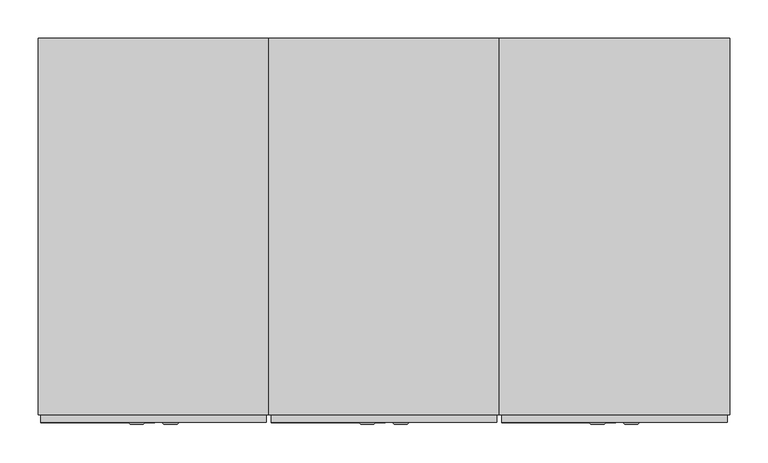
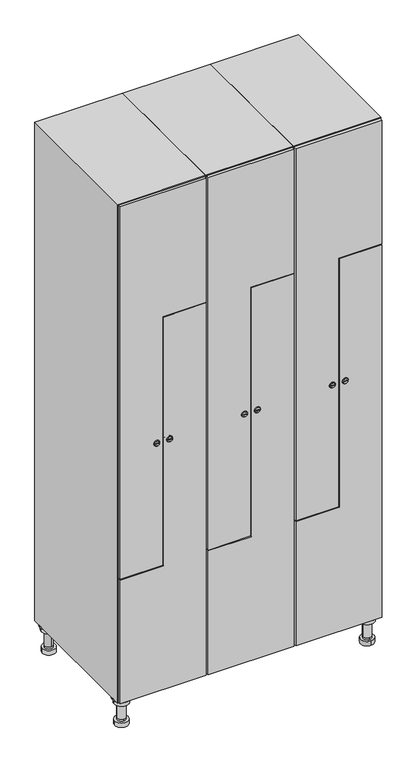
"""IFC4 building model written with IfcOpenShell, lengths in millimetres: furniture geometry."""

from ifc_helpers import new_model, si_unit, point, frame, frame_2d, origin, place, context, project, spatial, polyline, circle_curve, trimmed, segment, composite_curve, outline, extrude, faceted_brep, source, transform, mapped, element, save
from ifc_brep_helpers import plane_surface, cylinder_surface, revolved_surface, advanced_brep


def furniture_f455822a(model_context):
    return source(origin(), model_context, "Body", "SolidModel", [
        advanced_brep(
        [(670.0, -201.0, 22.0), (670.0, -201.5, 16.0), (670.0, -228.5, 16.0), (670.0, -229.0, 22.0), (656.0, -215.0, 22.0), (684.0, -215.0, 22.0), (670.0, -192.5, 16.0), (670.0, -237.5, 16.0), (670.0, -192.5, 0.0), (670.0, -237.5, 0.0), (684.0, -215.0, 78.0), (656.0, -215.0, 78.0), (695.0, -215.0, 78.0), (645.0, -215.0, 78.0), (700.0, -215.0, 94.0), (640.0, -215.0, 94.0), (645.0, -215.0, 94.0), (695.0, -215.0, 94.0), (700.0, -215.0, 100.0), (640.0, -215.0, 100.0)],
        [
            (0, 1),
            (1, 2, circle_curve(frame((670.0, -215.0, 16.0), z_axis=(0.0, 0.0, 1.0), x_axis=(0.0, -1.0, 0.0)), 13.5)),
            (2, 3),
            (3, 4, circle_curve(frame((670.0, -215.0, 22.0), z_axis=(0.0, 0.0, -1.0), x_axis=(0.0, -1.0, 0.0)), 14.0)),
            (4, 0, circle_curve(frame((670.0, -215.0, 22.0), z_axis=(0.0, 0.0, -1.0), x_axis=(0.0, -1.0, 0.0)), 14.0)),
            (0, 5, circle_curve(frame((670.0, -215.0, 22.0), z_axis=(0.0, 0.0, -1.0), x_axis=(0.0, 1.0, 0.0)), 14.0)),
            (5, 3, circle_curve(frame((670.0, -215.0, 22.0), z_axis=(0.0, 0.0, -1.0), x_axis=(0.0, 1.0, 0.0)), 14.0)),
            (2, 1, circle_curve(frame((670.0, -215.0, 16.0), z_axis=(0.0, 0.0, 1.0), x_axis=(0.0, 1.0, 0.0)), 13.5)),
            (6, 7, circle_curve(frame((670.0, -215.0, 16.0), z_axis=(0.0, 0.0, 1.0), x_axis=(0.0, -1.0, 0.0)), 22.5)),
            (7, 6, circle_curve(frame((670.0, -215.0, 16.0), z_axis=(0.0, 0.0, 1.0), x_axis=(0.0, -1.0, 0.0)), 22.5)),
            (8, 9, circle_curve(frame((670.0, -215.0, 0.0), z_axis=(0.0, 0.0, -1.0), x_axis=(0.0, -1.0, 0.0)), 22.5)),
            (9, 8, circle_curve(frame((670.0, -215.0, 0.0), z_axis=(0.0, 0.0, -1.0), x_axis=(0.0, -1.0, 0.0)), 22.5)),
            (6, 8),
            (9, 7),
            (5, 10),
            (10, 11, circle_curve(frame((670.0, -215.0, 78.0), z_axis=(0.0, 0.0, -1.0), x_axis=(-1.0, 0.0, 0.0)), 14.0)),
            (11, 4),
            (11, 10, circle_curve(frame((670.0, -215.0, 78.0), z_axis=(0.0, 0.0, -1.0), x_axis=(-1.0, 0.0, 0.0)), 14.0)),
            (12, 13, circle_curve(frame((670.0, -215.0, 78.0), z_axis=(0.0, 0.0, -1.0), x_axis=(-1.0, 0.0, 0.0)), 25.0)),
            (13, 12, circle_curve(frame((670.0, -215.0, 78.0), z_axis=(0.0, 0.0, -1.0), x_axis=(-1.0, 0.0, 0.0)), 25.0)),
            (14, 15, circle_curve(frame((670.0, -215.0, 94.0), z_axis=(0.0, 0.0, -1.0), x_axis=(-1.0, 0.0, 0.0)), 30.0)),
            (15, 14, circle_curve(frame((670.0, -215.0, 94.0), z_axis=(0.0, 0.0, -1.0), x_axis=(-1.0, 0.0, 0.0)), 30.0)),
            (16, 17, circle_curve(frame((670.0, -215.0, 94.0), z_axis=(0.0, 0.0, 1.0), x_axis=(-1.0, 0.0, 0.0)), 25.0)),
            (17, 16, circle_curve(frame((670.0, -215.0, 94.0), z_axis=(0.0, 0.0, 1.0), x_axis=(-1.0, 0.0, 0.0)), 25.0)),
            (18, 19, circle_curve(frame((670.0, -215.0, 100.0), z_axis=(0.0, 0.0, 1.0), x_axis=(-1.0, 0.0, 0.0)), 30.0)),
            (19, 18, circle_curve(frame((670.0, -215.0, 100.0), z_axis=(0.0, 0.0, 1.0), x_axis=(-1.0, 0.0, 0.0)), 30.0)),
            (14, 18),
            (19, 15),
            (12, 17),
            (16, 13),
        ],
        [
            revolved_surface(polyline([(670.0, -201.5, 16.0), (670.0, -201.0, 22.0)]), (670.0, -215.0, -146.0), (0.0, 0.0, 1.0)),
            plane_surface(frame((670.0, 0.0, 16.0), z_axis=(0.0, 0.0, 1.0), x_axis=(0.0, -1.0, 0.0))),
            plane_surface(frame((670.0, 0.0, 0.0), z_axis=(0.0, 0.0, -1.0), x_axis=(0.0, -1.0, 0.0))),
            cylinder_surface(frame((670.0, -215.0, 16.0), z_axis=(0.0, 0.0, 1.0), x_axis=(0.0, -1.0, 0.0)), 22.5),
            cylinder_surface(frame((670.0, -215.0, 22.0), z_axis=(0.0, 0.0, -1.0), x_axis=(-1.0, 0.0, 0.0)), 14.0),
            plane_surface(frame((670.0, 0.0, 78.0), z_axis=(0.0, 0.0, -1.0), x_axis=(0.0, -1.0, 0.0))),
            plane_surface(frame((670.0, 0.0, 94.0), z_axis=(0.0, 0.0, -1.0), x_axis=(0.0, -1.0, 0.0))),
            plane_surface(frame((670.0, 0.0, 100.0), z_axis=(0.0, 0.0, 1.0), x_axis=(0.0, -1.0, 0.0))),
            cylinder_surface(frame((670.0, -215.0, 94.0), z_axis=(0.0, 0.0, -1.0), x_axis=(-1.0, 0.0, 0.0)), 30.0),
            cylinder_surface(frame((670.0, -215.0, 78.0), z_axis=(0.0, 0.0, -1.0), x_axis=(-1.0, 0.0, 0.0)), 25.0),
        ],
        [
            (0, [[1, 2, 3, 4, 5]]),
            (0, [[-1, 6, 7, -3, 8]]),
            (1, [[9, 10], [-2, -8]]),
            (2, [[11, 12]]),
            (3, [[-9, 13, -12, 14]]),
            (3, [[-10, -14, -11, -13]]),
            (4, [[15, 16, 17, -4, -7]]),
            (4, [[-15, -6, -5, -17, 18]]),
            (5, [[19, 20], [-16, -18]]),
            (6, [[21, 22], [23, 24]]),
            (7, [[25, 26]]),
            (8, [[-21, 27, -26, 28]]),
            (8, [[-22, -28, -25, -27]]),
            (9, [[-19, 29, -23, 30]]),
            (9, [[-20, -30, -24, -29]]),
        ],
    ),
        advanced_brep(
        [(-170.0, -201.0, 22.0), (-170.0, -201.5, 16.0), (-170.0, -228.5, 16.0), (-170.0, -229.0, 22.0), (-184.0, -215.0, 22.0), (-156.0, -215.0, 22.0), (-147.5, -215.0, 0.0), (-192.5, -215.0, 0.0), (-147.5, -215.0, 16.0), (-192.5, -215.0, 16.0), (-156.0, -215.0, 78.0), (-184.0, -215.0, 78.0), (-145.0, -215.0, 78.0), (-195.0, -215.0, 78.0), (-140.0, -215.0, 94.0), (-200.0, -215.0, 94.0), (-195.0, -215.0, 94.0), (-145.0, -215.0, 94.0), (-140.0, -215.0, 100.0), (-200.0, -215.0, 100.0)],
        [
            (0, 1),
            (1, 2, circle_curve(frame((-170.0, -215.0, 16.0), z_axis=(0.0, 0.0, 1.0), x_axis=(0.0, -1.0, 0.0)), 13.5)),
            (2, 3),
            (3, 4, circle_curve(frame((-170.0, -215.0, 22.0), z_axis=(0.0, 0.0, -1.0), x_axis=(0.0, -1.0, 0.0)), 14.0)),
            (4, 0, circle_curve(frame((-170.0, -215.0, 22.0), z_axis=(0.0, 0.0, -1.0), x_axis=(0.0, -1.0, 0.0)), 14.0)),
            (0, 5, circle_curve(frame((-170.0, -215.0, 22.0), z_axis=(0.0, 0.0, -1.0), x_axis=(0.0, 1.0, 0.0)), 14.0)),
            (5, 3, circle_curve(frame((-170.0, -215.0, 22.0), z_axis=(0.0, 0.0, -1.0), x_axis=(0.0, 1.0, 0.0)), 14.0)),
            (2, 1, circle_curve(frame((-170.0, -215.0, 16.0), z_axis=(0.0, 0.0, 1.0), x_axis=(0.0, 1.0, 0.0)), 13.5)),
            (6, 7, circle_curve(frame((-170.0, -215.0, 0.0), z_axis=(0.0, 0.0, -1.0), x_axis=(-1.0, 0.0, 0.0)), 22.5)),
            (7, 6, circle_curve(frame((-170.0, -215.0, 0.0), z_axis=(0.0, 0.0, -1.0), x_axis=(-1.0, 0.0, 0.0)), 22.5)),
            (8, 9, circle_curve(frame((-170.0, -215.0, 16.0), z_axis=(0.0, 0.0, 1.0), x_axis=(-1.0, 0.0, 0.0)), 22.5)),
            (9, 8, circle_curve(frame((-170.0, -215.0, 16.0), z_axis=(0.0, 0.0, 1.0), x_axis=(-1.0, 0.0, 0.0)), 22.5)),
            (6, 8),
            (9, 7),
            (5, 10),
            (10, 11, circle_curve(frame((-170.0, -215.0, 78.0), z_axis=(0.0, 0.0, -1.0), x_axis=(-1.0, 0.0, 0.0)), 14.0)),
            (11, 4),
            (11, 10, circle_curve(frame((-170.0, -215.0, 78.0), z_axis=(0.0, 0.0, -1.0), x_axis=(-1.0, 0.0, 0.0)), 14.0)),
            (12, 13, circle_curve(frame((-170.0, -215.0, 78.0), z_axis=(0.0, 0.0, -1.0), x_axis=(-1.0, 0.0, 0.0)), 25.0)),
            (13, 12, circle_curve(frame((-170.0, -215.0, 78.0), z_axis=(0.0, 0.0, -1.0), x_axis=(-1.0, 0.0, 0.0)), 25.0)),
            (14, 15, circle_curve(frame((-170.0, -215.0, 94.0), z_axis=(0.0, 0.0, -1.0), x_axis=(-1.0, 0.0, 0.0)), 30.0)),
            (15, 14, circle_curve(frame((-170.0, -215.0, 94.0), z_axis=(0.0, 0.0, -1.0), x_axis=(-1.0, 0.0, 0.0)), 30.0)),
            (16, 17, circle_curve(frame((-170.0, -215.0, 94.0), z_axis=(0.0, 0.0, 1.0), x_axis=(-1.0, 0.0, 0.0)), 25.0)),
            (17, 16, circle_curve(frame((-170.0, -215.0, 94.0), z_axis=(0.0, 0.0, 1.0), x_axis=(-1.0, 0.0, 0.0)), 25.0)),
            (18, 19, circle_curve(frame((-170.0, -215.0, 100.0), z_axis=(0.0, 0.0, 1.0), x_axis=(-1.0, 0.0, 0.0)), 30.0)),
            (19, 18, circle_curve(frame((-170.0, -215.0, 100.0), z_axis=(0.0, 0.0, 1.0), x_axis=(-1.0, 0.0, 0.0)), 30.0)),
            (14, 18),
            (19, 15),
            (12, 17),
            (16, 13),
        ],
        [
            revolved_surface(polyline([(-170.0, -201.5, 16.0), (-170.0, -201.0, 22.0)]), (-170.0, -215.0, -146.0), (0.0, 0.0, 1.0)),
            plane_surface(frame((-170.0, 0.0, 0.0), z_axis=(0.0, 0.0, -1.0), x_axis=(0.0, -1.0, 0.0))),
            plane_surface(frame((-170.0, 0.0, 16.0), z_axis=(0.0, 0.0, 1.0), x_axis=(0.0, -1.0, 0.0))),
            cylinder_surface(frame((-170.0, -215.0, 0.0), z_axis=(0.0, 0.0, -1.0), x_axis=(-1.0, 0.0, 0.0)), 22.5),
            cylinder_surface(frame((-170.0, -215.0, 22.0), z_axis=(0.0, 0.0, -1.0), x_axis=(-1.0, 0.0, 0.0)), 14.0),
            plane_surface(frame((-170.0, 0.0, 78.0), z_axis=(0.0, 0.0, -1.0), x_axis=(0.0, -1.0, 0.0))),
            plane_surface(frame((-170.0, 0.0, 94.0), z_axis=(0.0, 0.0, -1.0), x_axis=(0.0, -1.0, 0.0))),
            plane_surface(frame((-170.0, 0.0, 100.0), z_axis=(0.0, 0.0, 1.0), x_axis=(0.0, -1.0, 0.0))),
            cylinder_surface(frame((-170.0, -215.0, 94.0), z_axis=(0.0, 0.0, -1.0), x_axis=(-1.0, 0.0, 0.0)), 30.0),
            cylinder_surface(frame((-170.0, -215.0, 78.0), z_axis=(0.0, 0.0, -1.0), x_axis=(-1.0, 0.0, 0.0)), 25.0),
        ],
        [
            (0, [[1, 2, 3, 4, 5]]),
            (0, [[-1, 6, 7, -3, 8]]),
            (1, [[9, 10]]),
            (2, [[11, 12], [-2, -8]]),
            (3, [[-9, 13, -12, 14]]),
            (3, [[-10, -14, -11, -13]]),
            (4, [[15, 16, 17, -4, -7]]),
            (4, [[-15, -6, -5, -17, 18]]),
            (5, [[19, 20], [-16, -18]]),
            (6, [[21, 22], [23, 24]]),
            (7, [[25, 26]]),
            (8, [[-21, 27, -26, 28]]),
            (8, [[-22, -28, -25, -27]]),
            (9, [[-19, 29, -23, 30]]),
            (9, [[-20, -30, -24, -29]]),
        ],
    ),
        advanced_brep(
        [(683.5, 215.0, 16.0), (684.0, 215.0, 22.0), (656.0, 215.0, 22.0), (656.5, 215.0, 16.0), (692.5, 215.0, 0.0), (647.5, 215.0, 0.0), (692.5, 215.0, 16.0), (647.5, 215.0, 16.0), (684.0, 215.0, 78.0), (656.0, 215.0, 78.0), (695.0, 215.0, 78.0), (645.0, 215.0, 78.0), (700.0, 215.0, 94.0), (640.0, 215.0, 94.0), (645.0, 215.0, 94.0), (695.0, 215.0, 94.0), (700.0, 215.0, 100.0), (640.0, 215.0, 100.0)],
        [
            (0, 1),
            (1, 2, circle_curve(frame((670.0, 215.0, 22.0), z_axis=(0.0, 0.0, -1.0), x_axis=(-1.0, 0.0, 0.0)), 14.0)),
            (2, 3),
            (3, 0, circle_curve(frame((670.0, 215.0, 16.0), z_axis=(0.0, 0.0, 1.0), x_axis=(-1.0, 0.0, 0.0)), 13.5)),
            (0, 3, circle_curve(frame((670.0, 215.0, 16.0), z_axis=(0.0, 0.0, 1.0), x_axis=(1.0, 0.0, 0.0)), 13.5)),
            (2, 1, circle_curve(frame((670.0, 215.0, 22.0), z_axis=(0.0, 0.0, -1.0), x_axis=(1.0, 0.0, 0.0)), 14.0)),
            (4, 5, circle_curve(frame((670.0, 215.0, 0.0), z_axis=(0.0, 0.0, -1.0), x_axis=(-1.0, 0.0, 0.0)), 22.5)),
            (5, 4, circle_curve(frame((670.0, 215.0, 0.0), z_axis=(0.0, 0.0, -1.0), x_axis=(-1.0, 0.0, 0.0)), 22.5)),
            (6, 7, circle_curve(frame((670.0, 215.0, 16.0), z_axis=(0.0, 0.0, 1.0), x_axis=(-1.0, 0.0, 0.0)), 22.5)),
            (7, 6, circle_curve(frame((670.0, 215.0, 16.0), z_axis=(0.0, 0.0, 1.0), x_axis=(-1.0, 0.0, 0.0)), 22.5)),
            (4, 6),
            (7, 5),
            (1, 8),
            (8, 9, circle_curve(frame((670.0, 215.0, 78.0), z_axis=(0.0, 0.0, -1.0), x_axis=(-1.0, 0.0, 0.0)), 14.0)),
            (9, 2),
            (9, 8, circle_curve(frame((670.0, 215.0, 78.0), z_axis=(0.0, 0.0, -1.0), x_axis=(-1.0, 0.0, 0.0)), 14.0)),
            (10, 11, circle_curve(frame((670.0, 215.0, 78.0), z_axis=(0.0, 0.0, -1.0), x_axis=(-1.0, 0.0, 0.0)), 25.0)),
            (11, 10, circle_curve(frame((670.0, 215.0, 78.0), z_axis=(0.0, 0.0, -1.0), x_axis=(-1.0, 0.0, 0.0)), 25.0)),
            (12, 13, circle_curve(frame((670.0, 215.0, 94.0), z_axis=(0.0, 0.0, -1.0), x_axis=(-1.0, 0.0, 0.0)), 30.0)),
            (13, 12, circle_curve(frame((670.0, 215.0, 94.0), z_axis=(0.0, 0.0, -1.0), x_axis=(-1.0, 0.0, 0.0)), 30.0)),
            (14, 15, circle_curve(frame((670.0, 215.0, 94.0), z_axis=(0.0, 0.0, 1.0), x_axis=(-1.0, 0.0, 0.0)), 25.0)),
            (15, 14, circle_curve(frame((670.0, 215.0, 94.0), z_axis=(0.0, 0.0, 1.0), x_axis=(-1.0, 0.0, 0.0)), 25.0)),
            (16, 17, circle_curve(frame((670.0, 215.0, 100.0), z_axis=(0.0, 0.0, 1.0), x_axis=(-1.0, 0.0, 0.0)), 30.0)),
            (17, 16, circle_curve(frame((670.0, 215.0, 100.0), z_axis=(0.0, 0.0, 1.0), x_axis=(-1.0, 0.0, 0.0)), 30.0)),
            (12, 16),
            (17, 13),
            (10, 15),
            (14, 11),
        ],
        [
            revolved_surface(polyline([(683.5, 215.0, 16.0), (684.0, 215.0, 22.0)]), (670.0, 215.0, -146.0), (0.0, 0.0, 1.0)),
            plane_surface(frame((670.0, 0.0, 0.0), z_axis=(0.0, 0.0, -1.0), x_axis=(0.0, -1.0, 0.0))),
            plane_surface(frame((670.0, 0.0, 16.0), z_axis=(0.0, 0.0, 1.0), x_axis=(0.0, -1.0, 0.0))),
            cylinder_surface(frame((670.0, 215.0, 0.0), z_axis=(0.0, 0.0, -1.0), x_axis=(-1.0, 0.0, 0.0)), 22.5),
            cylinder_surface(frame((670.0, 215.0, 22.0), z_axis=(0.0, 0.0, -1.0), x_axis=(-1.0, 0.0, 0.0)), 14.0),
            plane_surface(frame((670.0, 0.0, 78.0), z_axis=(0.0, 0.0, -1.0), x_axis=(0.0, -1.0, 0.0))),
            plane_surface(frame((670.0, 0.0, 94.0), z_axis=(0.0, 0.0, -1.0), x_axis=(0.0, -1.0, 0.0))),
            plane_surface(frame((670.0, 0.0, 100.0), z_axis=(0.0, 0.0, 1.0), x_axis=(0.0, -1.0, 0.0))),
            cylinder_surface(frame((670.0, 215.0, 94.0), z_axis=(0.0, 0.0, -1.0), x_axis=(-1.0, 0.0, 0.0)), 30.0),
            cylinder_surface(frame((670.0, 215.0, 78.0), z_axis=(0.0, 0.0, -1.0), x_axis=(-1.0, 0.0, 0.0)), 25.0),
        ],
        [
            (0, [[1, 2, 3, 4]]),
            (0, [[-1, 5, -3, 6]]),
            (1, [[7, 8]]),
            (2, [[9, 10], [-4, -5]]),
            (3, [[-7, 11, -10, 12]]),
            (3, [[-8, -12, -9, -11]]),
            (4, [[13, 14, 15, -2]]),
            (4, [[-13, -6, -15, 16]]),
            (5, [[17, 18], [-14, -16]]),
            (6, [[19, 20], [21, 22]]),
            (7, [[23, 24]]),
            (8, [[-19, 25, -24, 26]]),
            (8, [[-20, -26, -23, -25]]),
            (9, [[-17, 27, -21, 28]]),
            (9, [[-18, -28, -22, -27]]),
        ],
    ),
        advanced_brep(
        [(-156.5, 215.0, 16.0), (-156.0, 215.0, 22.0), (-170.0, 201.0, 22.0), (-184.0, 215.0, 22.0), (-183.5, 215.0, 16.0), (-170.0, 229.0, 22.0), (-147.5, 215.0, 0.0), (-192.5, 215.0, 0.0), (-147.5, 215.0, 16.0), (-192.5, 215.0, 16.0), (-170.0, 229.0, 78.0), (-170.0, 201.0, 78.0), (-145.0, 215.0, 78.0), (-195.0, 215.0, 78.0), (-140.0, 215.0, 94.0), (-200.0, 215.0, 94.0), (-195.0, 215.0, 94.0), (-145.0, 215.0, 94.0), (-140.0, 215.0, 100.0), (-200.0, 215.0, 100.0)],
        [
            (0, 1),
            (1, 2, circle_curve(frame((-170.0, 215.0, 22.0), z_axis=(0.0, 0.0, -1.0), x_axis=(-1.0, 0.0, 0.0)), 14.0)),
            (2, 3, circle_curve(frame((-170.0, 215.0, 22.0), z_axis=(0.0, 0.0, -1.0), x_axis=(-1.0, 0.0, 0.0)), 14.0)),
            (3, 4),
            (4, 0, circle_curve(frame((-170.0, 215.0, 16.0), z_axis=(0.0, 0.0, 1.0), x_axis=(-1.0, 0.0, 0.0)), 13.5)),
            (0, 4, circle_curve(frame((-170.0, 215.0, 16.0), z_axis=(0.0, 0.0, 1.0), x_axis=(1.0, 0.0, 0.0)), 13.5)),
            (3, 5, circle_curve(frame((-170.0, 215.0, 22.0), z_axis=(0.0, 0.0, -1.0), x_axis=(1.0, 0.0, 0.0)), 14.0)),
            (5, 1, circle_curve(frame((-170.0, 215.0, 22.0), z_axis=(0.0, 0.0, -1.0), x_axis=(1.0, 0.0, 0.0)), 14.0)),
            (6, 7, circle_curve(frame((-170.0, 215.0, 0.0), z_axis=(0.0, 0.0, -1.0), x_axis=(-1.0, 0.0, 0.0)), 22.5)),
            (7, 6, circle_curve(frame((-170.0, 215.0, 0.0), z_axis=(0.0, 0.0, -1.0), x_axis=(-1.0, 0.0, 0.0)), 22.5)),
            (8, 9, circle_curve(frame((-170.0, 215.0, 16.0), z_axis=(0.0, 0.0, 1.0), x_axis=(-1.0, 0.0, 0.0)), 22.5)),
            (9, 8, circle_curve(frame((-170.0, 215.0, 16.0), z_axis=(0.0, 0.0, 1.0), x_axis=(-1.0, 0.0, 0.0)), 22.5)),
            (6, 8),
            (9, 7),
            (10, 5),
            (2, 11),
            (11, 10, circle_curve(frame((-170.0, 215.0, 78.0), z_axis=(0.0, 0.0, -1.0), x_axis=(0.0, -1.0, 0.0)), 14.0)),
            (10, 11, circle_curve(frame((-170.0, 215.0, 78.0), z_axis=(0.0, 0.0, -1.0), x_axis=(0.0, -1.0, 0.0)), 14.0)),
            (12, 13, circle_curve(frame((-170.0, 215.0, 78.0), z_axis=(0.0, 0.0, -1.0), x_axis=(-1.0, 0.0, 0.0)), 25.0)),
            (13, 12, circle_curve(frame((-170.0, 215.0, 78.0), z_axis=(0.0, 0.0, -1.0), x_axis=(-1.0, 0.0, 0.0)), 25.0)),
            (14, 15, circle_curve(frame((-170.0, 215.0, 94.0), z_axis=(0.0, 0.0, -1.0), x_axis=(-1.0, 0.0, 0.0)), 30.0)),
            (15, 14, circle_curve(frame((-170.0, 215.0, 94.0), z_axis=(0.0, 0.0, -1.0), x_axis=(-1.0, 0.0, 0.0)), 30.0)),
            (16, 17, circle_curve(frame((-170.0, 215.0, 94.0), z_axis=(0.0, 0.0, 1.0), x_axis=(-1.0, 0.0, 0.0)), 25.0)),
            (17, 16, circle_curve(frame((-170.0, 215.0, 94.0), z_axis=(0.0, 0.0, 1.0), x_axis=(-1.0, 0.0, 0.0)), 25.0)),
            (18, 19, circle_curve(frame((-170.0, 215.0, 100.0), z_axis=(0.0, 0.0, 1.0), x_axis=(-1.0, 0.0, 0.0)), 30.0)),
            (19, 18, circle_curve(frame((-170.0, 215.0, 100.0), z_axis=(0.0, 0.0, 1.0), x_axis=(-1.0, 0.0, 0.0)), 30.0)),
            (14, 18),
            (19, 15),
            (12, 17),
            (16, 13),
        ],
        [
            revolved_surface(polyline([(-156.5, 215.0, 16.0), (-156.0, 215.0, 22.0)]), (-170.0, 215.0, -146.0), (0.0, 0.0, 1.0)),
            plane_surface(frame((-170.0, 0.0, 0.0), z_axis=(0.0, 0.0, -1.0), x_axis=(0.0, -1.0, 0.0))),
            plane_surface(frame((-170.0, 0.0, 16.0), z_axis=(0.0, 0.0, 1.0), x_axis=(0.0, -1.0, 0.0))),
            cylinder_surface(frame((-170.0, 215.0, 0.0), z_axis=(0.0, 0.0, -1.0), x_axis=(-1.0, 0.0, 0.0)), 22.5),
            cylinder_surface(frame((-170.0, 215.0, 78.0), z_axis=(0.0, 0.0, 1.0), x_axis=(0.0, -1.0, 0.0)), 14.0),
            plane_surface(frame((-170.0, 0.0, 78.0), z_axis=(0.0, 0.0, -1.0), x_axis=(0.0, -1.0, 0.0))),
            plane_surface(frame((-170.0, 0.0, 94.0), z_axis=(0.0, 0.0, -1.0), x_axis=(0.0, -1.0, 0.0))),
            plane_surface(frame((-170.0, 0.0, 100.0), z_axis=(0.0, 0.0, 1.0), x_axis=(0.0, -1.0, 0.0))),
            cylinder_surface(frame((-170.0, 215.0, 94.0), z_axis=(0.0, 0.0, -1.0), x_axis=(-1.0, 0.0, 0.0)), 30.0),
            cylinder_surface(frame((-170.0, 215.0, 78.0), z_axis=(0.0, 0.0, -1.0), x_axis=(-1.0, 0.0, 0.0)), 25.0),
        ],
        [
            (0, [[1, 2, 3, 4, 5]]),
            (0, [[-1, 6, -4, 7, 8]]),
            (1, [[9, 10]]),
            (2, [[11, 12], [-5, -6]]),
            (3, [[-9, 13, -12, 14]]),
            (3, [[-10, -14, -11, -13]]),
            (4, [[15, -7, -3, 16, 17]]),
            (4, [[-15, 18, -16, -2, -8]]),
            (5, [[19, 20], [-17, -18]]),
            (6, [[21, 22], [23, 24]]),
            (7, [[25, 26]]),
            (8, [[-21, 27, -26, 28]]),
            (8, [[-22, -28, -25, -27]]),
            (9, [[-19, 29, -23, 30]]),
            (9, [[-20, -30, -24, -29]]),
        ],
    ),
        extrude(outline(composite_curve([segment(trimmed(circle_curve(frame_2d((1000.0, 554.7989466)), 7.0), [point((993.0, 554.7989466))], [point((1007.0, 554.7989466))], False, "CARTESIAN"), True, "CONTINUOUS"), segment(polyline([(1007.0, 554.7989466), (1007.0, 526.7989466)]), True, "CONTINUOUS"), segment(trimmed(circle_curve(frame_2d((1000.0, 526.7989466)), 7.0), [point((1007.0, 526.7989466))], [point((993.0, 526.7989466))], False, "CARTESIAN"), True, "CONTINUOUS"), segment(polyline([(993.0, 526.7989466), (993.0, 554.7989466)]), True, "CONTINUOUS")], self_intersect=False)), frame((0.0, -245.0, 0.0), z_axis=(0.0, 1.0, 0.0), x_axis=(0.0, 0.0, 1.0)), (0.0, 0.0, 1.0), 2.0),
        advanced_brep(
        [(519.5, -257.2, 1000.0), (536.5, -257.2, 1000.0), (533.0, -257.2, 1001.25), (533.0, -257.2, 998.75), (523.0, -257.2, 998.75), (523.0, -257.2, 1001.25), (517.5, -255.0, 1000.0), (538.5, -255.0, 1000.0), (533.0, -255.0, 998.75), (533.0, -255.0, 1001.25), (523.0, -255.0, 1001.25), (523.0, -255.0, 998.75)],
        [
            (0, 1, circle_curve(frame((528.0, -257.2, 1000.0), z_axis=(0.0, -1.0, 0.0), x_axis=(-1.0, 0.0, 0.0)), 8.5)),
            (1, 0, circle_curve(frame((528.0, -257.2, 1000.0), z_axis=(0.0, -1.0, 0.0), x_axis=(1.0, 0.0, 0.0)), 8.5)),
            (2, 3),
            (3, 4),
            (4, 5),
            (5, 2),
            (6, 7, circle_curve(frame((528.0, -255.0, 1000.0), z_axis=(0.0, 1.0, 0.0), x_axis=(1.0, 0.0, 0.0)), 10.5)),
            (7, 6, circle_curve(frame((528.0, -255.0, 1000.0), z_axis=(0.0, 1.0, 0.0), x_axis=(-1.0, 0.0, 0.0)), 10.5)),
            (8, 9),
            (9, 10),
            (10, 11),
            (11, 8),
            (0, 6),
            (7, 1),
            (8, 3),
            (2, 9),
            (11, 4),
            (10, 5),
        ],
        [
            plane_surface(frame((528.0, -257.2, 1000.0), z_axis=(0.0, -1.0, 0.0), x_axis=(0.0, 0.0, -1.0))),
            plane_surface(frame((528.0, -255.0, 1000.0), z_axis=(0.0, 1.0, 0.0), x_axis=(0.0, 0.0, -1.0))),
            revolved_surface(polyline([(519.5, -257.2, 1000.0), (517.5, -255.0, 1000.0)]), (528.0, -266.55, 1000.0), (0.0, 1.0, 0.0)),
            revolved_surface(polyline([(536.5, -257.2, 1000.0), (538.5, -255.0, 1000.0)]), (528.0, -266.55, 1000.0), (0.0, 1.0, 0.0)),
            plane_surface(frame((533.0, -255.0, 1001.25), z_axis=(-1.0, 0.0, 0.0), x_axis=(0.0, -1.0, 0.0))),
            plane_surface(frame((533.0, -255.0, 998.75), z_axis=(0.0, 0.0, 1.0), x_axis=(0.0, -1.0, 0.0))),
            plane_surface(frame((523.0, -255.0, 998.75), z_axis=(1.0, 0.0, 0.0), x_axis=(0.0, -1.0, 0.0))),
            plane_surface(frame((523.0, -255.0, 1001.25), z_axis=(0.0, 0.0, -1.0), x_axis=(0.0, -1.0, 0.0))),
        ],
        [
            (0, [[1, 2], [3, 4, 5, 6]]),
            (1, [[7, 8], [9, 10, 11, 12]]),
            (2, [[-1, 13, -8, 14]]),
            (3, [[-2, -14, -7, -13]]),
            (4, [[15, -3, 16, -9]]),
            (5, [[-15, -12, 17, -4]]),
            (6, [[-17, -11, 18, -5]]),
            (7, [[-16, -6, -18, -10]]),
        ],
    ),
        extrude(outline(polyline([(1897.0, 403.0), (553.0, 403.0), (553.0, 548.5), (1450.0, 548.5), (1450.0, 697.0), (1897.0, 697.0), (1897.0, 403.0)])), frame((0.0, -255.0, 0.0), z_axis=(0.0, 1.0, 0.0), x_axis=(0.0, 0.0, 1.0)), (0.0, 0.0, 1.0), 10.0),
        extrude(outline(composite_curve([segment(trimmed(circle_curve(frame_2d((1000.0, 545.2010534)), 7.0), [point((1007.0, 545.2010534))], [point((993.0, 545.2010534))], False, "CARTESIAN"), True, "CONTINUOUS"), segment(polyline([(993.0, 545.2010534), (993.0, 573.2010534)]), True, "CONTINUOUS"), segment(trimmed(circle_curve(frame_2d((1000.0, 573.2010534)), 7.0), [point((993.0, 573.2010534))], [point((1007.0, 573.2010534))], False, "CARTESIAN"), True, "CONTINUOUS"), segment(polyline([(1007.0, 573.2010534), (1007.0, 545.2010534)]), True, "CONTINUOUS")], self_intersect=False)), frame((0.0, -245.0, 0.0), z_axis=(0.0, 1.0, 0.0), x_axis=(0.0, 0.0, 1.0)), (0.0, 0.0, 1.0), 2.0),
        advanced_brep(
        [(580.5, -257.2, 1000.0), (563.5, -257.2, 1000.0), (567.0, -257.2, 998.75), (567.0, -257.2, 1001.25), (577.0, -257.2, 1001.25), (577.0, -257.2, 998.75), (582.5, -255.0, 1000.0), (561.5, -255.0, 1000.0), (567.0, -255.0, 1001.25), (567.0, -255.0, 998.75), (577.0, -255.0, 998.75), (577.0, -255.0, 1001.25)],
        [
            (0, 1, circle_curve(frame((572.0, -257.2, 1000.0), z_axis=(0.0, -1.0, 0.0), x_axis=(1.0, 0.0, 0.0)), 8.5)),
            (1, 0, circle_curve(frame((572.0, -257.2, 1000.0), z_axis=(0.0, -1.0, 0.0), x_axis=(-1.0, 0.0, 0.0)), 8.5)),
            (2, 3),
            (3, 4),
            (4, 5),
            (5, 2),
            (6, 7, circle_curve(frame((572.0, -255.0, 1000.0), z_axis=(0.0, 1.0, 0.0), x_axis=(-1.0, 0.0, 0.0)), 10.5)),
            (7, 6, circle_curve(frame((572.0, -255.0, 1000.0), z_axis=(0.0, 1.0, 0.0), x_axis=(1.0, 0.0, 0.0)), 10.5)),
            (8, 9),
            (9, 10),
            (10, 11),
            (11, 8),
            (0, 6),
            (7, 1),
            (8, 3),
            (2, 9),
            (11, 4),
            (10, 5),
        ],
        [
            plane_surface(frame((572.0, -257.2, 1000.0), z_axis=(0.0, -1.0, 0.0), x_axis=(0.0, 0.0, 1.0))),
            plane_surface(frame((572.0, -255.0, 1000.0), z_axis=(0.0, 1.0, 0.0), x_axis=(0.0, 0.0, 1.0))),
            revolved_surface(polyline([(580.5, -257.2, 1000.0), (582.5, -255.0, 1000.0)]), (572.0, -266.55, 1000.0), (0.0, 1.0, 0.0)),
            revolved_surface(polyline([(563.5, -257.2, 1000.0), (561.5, -255.0, 1000.0)]), (572.0, -266.55, 1000.0), (0.0, 1.0, 0.0)),
            plane_surface(frame((567.0, -255.0, 998.75), z_axis=(1.0, 0.0, 0.0), x_axis=(0.0, -1.0, 0.0))),
            plane_surface(frame((567.0, -255.0, 1001.25), z_axis=(0.0, 0.0, -1.0), x_axis=(0.0, -1.0, 0.0))),
            plane_surface(frame((577.0, -255.0, 1001.25), z_axis=(-1.0, 0.0, 0.0), x_axis=(0.0, -1.0, 0.0))),
            plane_surface(frame((577.0, -255.0, 998.75), z_axis=(0.0, 0.0, 1.0), x_axis=(0.0, -1.0, 0.0))),
        ],
        [
            (0, [[1, 2], [3, 4, 5, 6]]),
            (1, [[7, 8], [9, 10, 11, 12]]),
            (2, [[-1, 13, -8, 14]]),
            (3, [[-2, -14, -7, -13]]),
            (4, [[15, -3, 16, -9]]),
            (5, [[-15, -12, 17, -4]]),
            (6, [[-17, -11, 18, -5]]),
            (7, [[-16, -6, -18, -10]]),
        ],
    ),
        extrude(outline(polyline([(103.0, 697.0), (1447.0, 697.0), (1447.0, 551.5), (550.0, 551.5), (550.0, 403.0), (103.0, 403.0), (103.0, 697.0)])), frame((0.0, -255.0, 0.0), z_axis=(0.0, 1.0, 0.0), x_axis=(0.0, 0.0, 1.0)), (0.0, 0.0, 1.0), 10.0),
        extrude(outline(polyline([(1443.5, 690.0), (1453.5, 690.0), (1453.5, 545.0), (556.5, 545.0), (556.5, 410.0), (546.5, 410.0), (546.5, 555.0), (1443.5, 555.0), (1443.5, 690.0)])), frame((0.0, -245.0, 0.0), z_axis=(0.0, 1.0, 0.0), x_axis=(0.0, 0.0, 1.0)), (0.0, 0.0, 1.0), 486.0),
        faceted_brep([(700.0, -245.0, 100.0), (700.0, -245.0, 1900.0), (400.0, -245.0, 1900.0), (400.0, -245.0, 100.0), (690.0, -245.0, 1890.0), (690.0, -245.0, 110.0), (410.0, -245.0, 110.0), (410.0, -245.0, 1890.0), (700.0, 245.0, 100.0), (400.0, 245.0, 100.0), (700.0, 245.0, 1900.0), (400.0, 245.0, 1900.0), (690.0, 241.0, 1890.0), (690.0, 241.0, 110.0), (400.0, 245.0, 1890.0), (410.0, 241.0, 1890.0), (410.0, 241.0, 110.0)], [[[0, 1, 2, 3], [4, 5, 6, 7]], [[8, 0, 3, 9]], [[1, 0, 8, 10]], [[1, 10, 11, 2]], [[4, 12, 13, 5]], [[9, 3, 2, 11, 14]], [[10, 8, 9, 14, 11]], [[12, 15, 16, 13]], [[15, 7, 6, 16]], [[4, 7, 15, 12]], [[6, 5, 13, 16]]]),
        extrude(outline(composite_curve([segment(trimmed(circle_curve(frame_2d((1000.0, 254.7989466)), 7.0), [point((993.0, 254.7989466))], [point((1007.0, 254.7989466))], False, "CARTESIAN"), True, "CONTINUOUS"), segment(polyline([(1007.0, 254.7989466), (1007.0, 226.7989466)]), True, "CONTINUOUS"), segment(trimmed(circle_curve(frame_2d((1000.0, 226.7989466)), 7.0), [point((1007.0, 226.7989466))], [point((993.0, 226.7989466))], False, "CARTESIAN"), True, "CONTINUOUS"), segment(polyline([(993.0, 226.7989466), (993.0, 254.7989466)]), True, "CONTINUOUS")], self_intersect=False)), frame((0.0, -245.0, 0.0), z_axis=(0.0, 1.0, 0.0), x_axis=(0.0, 0.0, 1.0)), (0.0, 0.0, 1.0), 2.0),
        advanced_brep(
        [(219.5, -257.2, 1000.0), (236.5, -257.2, 1000.0), (233.0, -257.2, 1001.25), (233.0, -257.2, 998.75), (223.0, -257.2, 998.75), (223.0, -257.2, 1001.25), (217.5, -255.0, 1000.0), (238.5, -255.0, 1000.0), (233.0, -255.0, 998.75), (233.0, -255.0, 1001.25), (223.0, -255.0, 1001.25), (223.0, -255.0, 998.75)],
        [
            (0, 1, circle_curve(frame((228.0, -257.2, 1000.0), z_axis=(0.0, -1.0, 0.0), x_axis=(-1.0, 0.0, 0.0)), 8.5)),
            (1, 0, circle_curve(frame((228.0, -257.2, 1000.0), z_axis=(0.0, -1.0, 0.0), x_axis=(1.0, 0.0, 0.0)), 8.5)),
            (2, 3),
            (3, 4),
            (4, 5),
            (5, 2),
            (6, 7, circle_curve(frame((228.0, -255.0, 1000.0), z_axis=(0.0, 1.0, 0.0), x_axis=(1.0, 0.0, 0.0)), 10.5)),
            (7, 6, circle_curve(frame((228.0, -255.0, 1000.0), z_axis=(0.0, 1.0, 0.0), x_axis=(-1.0, 0.0, 0.0)), 10.5)),
            (8, 9),
            (9, 10),
            (10, 11),
            (11, 8),
            (0, 6),
            (7, 1),
            (8, 3),
            (2, 9),
            (11, 4),
            (10, 5),
        ],
        [
            plane_surface(frame((228.0, -257.2, 1000.0), z_axis=(0.0, -1.0, 0.0), x_axis=(0.0, 0.0, -1.0))),
            plane_surface(frame((228.0, -255.0, 1000.0), z_axis=(0.0, 1.0, 0.0), x_axis=(0.0, 0.0, -1.0))),
            revolved_surface(polyline([(219.5, -257.2, 1000.0), (217.5, -255.0, 1000.0)]), (228.0, -266.55, 1000.0), (0.0, 1.0, 0.0)),
            revolved_surface(polyline([(236.5, -257.2, 1000.0), (238.5, -255.0, 1000.0)]), (228.0, -266.55, 1000.0), (0.0, 1.0, 0.0)),
            plane_surface(frame((233.0, -255.0, 1001.25), z_axis=(-1.0, 0.0, 0.0), x_axis=(0.0, -1.0, 0.0))),
            plane_surface(frame((233.0, -255.0, 998.75), z_axis=(0.0, 0.0, 1.0), x_axis=(0.0, -1.0, 0.0))),
            plane_surface(frame((223.0, -255.0, 998.75), z_axis=(1.0, 0.0, 0.0), x_axis=(0.0, -1.0, 0.0))),
            plane_surface(frame((223.0, -255.0, 1001.25), z_axis=(0.0, 0.0, -1.0), x_axis=(0.0, -1.0, 0.0))),
        ],
        [
            (0, [[1, 2], [3, 4, 5, 6]]),
            (1, [[7, 8], [9, 10, 11, 12]]),
            (2, [[-1, 13, -8, 14]]),
            (3, [[-2, -14, -7, -13]]),
            (4, [[15, -3, 16, -9]]),
            (5, [[-15, -12, 17, -4]]),
            (6, [[-17, -11, 18, -5]]),
            (7, [[-16, -6, -18, -10]]),
        ],
    ),
        extrude(outline(polyline([(1897.0, 103.0), (553.0, 103.0), (553.0, 248.5), (1450.0, 248.5), (1450.0, 397.0), (1897.0, 397.0), (1897.0, 103.0)])), frame((0.0, -255.0, 0.0), z_axis=(0.0, 1.0, 0.0), x_axis=(0.0, 0.0, 1.0)), (0.0, 0.0, 1.0), 10.0),
        extrude(outline(composite_curve([segment(trimmed(circle_curve(frame_2d((1000.0, 245.2010534)), 7.0), [point((1007.0, 245.2010534))], [point((993.0, 245.2010534))], False, "CARTESIAN"), True, "CONTINUOUS"), segment(polyline([(993.0, 245.2010534), (993.0, 273.2010534)]), True, "CONTINUOUS"), segment(trimmed(circle_curve(frame_2d((1000.0, 273.2010534)), 7.0), [point((993.0, 273.2010534))], [point((1007.0, 273.2010534))], False, "CARTESIAN"), True, "CONTINUOUS"), segment(polyline([(1007.0, 273.2010534), (1007.0, 245.2010534)]), True, "CONTINUOUS")], self_intersect=False)), frame((0.0, -245.0, 0.0), z_axis=(0.0, 1.0, 0.0), x_axis=(0.0, 0.0, 1.0)), (0.0, 0.0, 1.0), 2.0),
        advanced_brep(
        [(280.5, -257.2, 1000.0), (263.5, -257.2, 1000.0), (267.0, -257.2, 998.75), (267.0, -257.2, 1001.25), (277.0, -257.2, 1001.25), (277.0, -257.2, 998.75), (282.5, -255.0, 1000.0), (261.5, -255.0, 1000.0), (267.0, -255.0, 1001.25), (267.0, -255.0, 998.75), (277.0, -255.0, 998.75), (277.0, -255.0, 1001.25)],
        [
            (0, 1, circle_curve(frame((272.0, -257.2, 1000.0), z_axis=(0.0, -1.0, 0.0), x_axis=(1.0, 0.0, 0.0)), 8.5)),
            (1, 0, circle_curve(frame((272.0, -257.2, 1000.0), z_axis=(0.0, -1.0, 0.0), x_axis=(-1.0, 0.0, 0.0)), 8.5)),
            (2, 3),
            (3, 4),
            (4, 5),
            (5, 2),
            (6, 7, circle_curve(frame((272.0, -255.0, 1000.0), z_axis=(0.0, 1.0, 0.0), x_axis=(-1.0, 0.0, 0.0)), 10.5)),
            (7, 6, circle_curve(frame((272.0, -255.0, 1000.0), z_axis=(0.0, 1.0, 0.0), x_axis=(1.0, 0.0, 0.0)), 10.5)),
            (8, 9),
            (9, 10),
            (10, 11),
            (11, 8),
            (0, 6),
            (7, 1),
            (8, 3),
            (2, 9),
            (11, 4),
            (10, 5),
        ],
        [
            plane_surface(frame((272.0, -257.2, 1000.0), z_axis=(0.0, -1.0, 0.0), x_axis=(0.0, 0.0, 1.0))),
            plane_surface(frame((272.0, -255.0, 1000.0), z_axis=(0.0, 1.0, 0.0), x_axis=(0.0, 0.0, 1.0))),
            revolved_surface(polyline([(280.5, -257.2, 1000.0), (282.5, -255.0, 1000.0)]), (272.0, -266.55, 1000.0), (0.0, 1.0, 0.0)),
            revolved_surface(polyline([(263.5, -257.2, 1000.0), (261.5, -255.0, 1000.0)]), (272.0, -266.55, 1000.0), (0.0, 1.0, 0.0)),
            plane_surface(frame((267.0, -255.0, 998.75), z_axis=(1.0, 0.0, 0.0), x_axis=(0.0, -1.0, 0.0))),
            plane_surface(frame((267.0, -255.0, 1001.25), z_axis=(0.0, 0.0, -1.0), x_axis=(0.0, -1.0, 0.0))),
            plane_surface(frame((277.0, -255.0, 1001.25), z_axis=(-1.0, 0.0, 0.0), x_axis=(0.0, -1.0, 0.0))),
            plane_surface(frame((277.0, -255.0, 998.75), z_axis=(0.0, 0.0, 1.0), x_axis=(0.0, -1.0, 0.0))),
        ],
        [
            (0, [[1, 2], [3, 4, 5, 6]]),
            (1, [[7, 8], [9, 10, 11, 12]]),
            (2, [[-1, 13, -8, 14]]),
            (3, [[-2, -14, -7, -13]]),
            (4, [[15, -3, 16, -9]]),
            (5, [[-15, -12, 17, -4]]),
            (6, [[-17, -11, 18, -5]]),
            (7, [[-16, -6, -18, -10]]),
        ],
    ),
        extrude(outline(polyline([(103.0, 397.0), (1447.0, 397.0), (1447.0, 251.5), (550.0, 251.5), (550.0, 103.0), (103.0, 103.0), (103.0, 397.0)])), frame((0.0, -255.0, 0.0), z_axis=(0.0, 1.0, 0.0), x_axis=(0.0, 0.0, 1.0)), (0.0, 0.0, 1.0), 10.0),
        extrude(outline(polyline([(1443.5, 390.0), (1453.5, 390.0), (1453.5, 245.0), (556.5, 245.0), (556.5, 110.0), (546.5, 110.0), (546.5, 255.0), (1443.5, 255.0), (1443.5, 390.0)])), frame((0.0, -245.0, 0.0), z_axis=(0.0, 1.0, 0.0), x_axis=(0.0, 0.0, 1.0)), (0.0, 0.0, 1.0), 486.0),
        faceted_brep([(400.0, -245.0, 100.0), (400.0, -245.0, 1900.0), (100.0, -245.0, 1900.0), (100.0, -245.0, 100.0), (390.0, -245.0, 1890.0), (390.0, -245.0, 110.0), (110.0, -245.0, 110.0), (110.0, -245.0, 1890.0), (400.0, 245.0, 100.0), (100.0, 245.0, 100.0), (400.0, 245.0, 1900.0), (100.0, 245.0, 1900.0), (390.0, 241.0, 1890.0), (390.0, 241.0, 110.0), (100.0, 245.0, 1890.0), (110.0, 241.0, 1890.0), (110.0, 241.0, 110.0)], [[[0, 1, 2, 3], [4, 5, 6, 7]], [[8, 0, 3, 9]], [[1, 0, 8, 10]], [[1, 10, 11, 2]], [[4, 12, 13, 5]], [[9, 3, 2, 11, 14]], [[10, 8, 9, 14, 11]], [[12, 15, 16, 13]], [[15, 7, 6, 16]], [[4, 7, 15, 12]], [[6, 5, 13, 16]]]),
        extrude(outline(composite_curve([segment(trimmed(circle_curve(frame_2d((1000.0, -45.2010534)), 7.0), [point((993.0, -45.2010534))], [point((1007.0, -45.2010534))], False, "CARTESIAN"), True, "CONTINUOUS"), segment(polyline([(1007.0, -45.2010534), (1007.0, -73.2010534)]), True, "CONTINUOUS"), segment(trimmed(circle_curve(frame_2d((1000.0, -73.2010534)), 7.0), [point((1007.0, -73.2010534))], [point((993.0, -73.2010534))], False, "CARTESIAN"), True, "CONTINUOUS"), segment(polyline([(993.0, -73.2010534), (993.0, -45.2010534)]), True, "CONTINUOUS")], self_intersect=False)), frame((0.0, -245.0, 0.0), z_axis=(0.0, 1.0, 0.0), x_axis=(0.0, 0.0, 1.0)), (0.0, 0.0, 1.0), 2.0),
        advanced_brep(
        [(-80.5, -257.2, 1000.0), (-63.5, -257.2, 1000.0), (-67.0, -257.2, 1001.25), (-67.0, -257.2, 998.75), (-77.0, -257.2, 998.75), (-77.0, -257.2, 1001.25), (-82.5, -255.0, 1000.0), (-61.5, -255.0, 1000.0), (-67.0, -255.0, 998.75), (-67.0, -255.0, 1001.25), (-77.0, -255.0, 1001.25), (-77.0, -255.0, 998.75)],
        [
            (0, 1, circle_curve(frame((-72.0, -257.2, 1000.0), z_axis=(0.0, -1.0, 0.0), x_axis=(-1.0, 0.0, 0.0)), 8.5)),
            (1, 0, circle_curve(frame((-72.0, -257.2, 1000.0), z_axis=(0.0, -1.0, 0.0), x_axis=(1.0, 0.0, 0.0)), 8.5)),
            (2, 3),
            (3, 4),
            (4, 5),
            (5, 2),
            (6, 7, circle_curve(frame((-72.0, -255.0, 1000.0), z_axis=(0.0, 1.0, 0.0), x_axis=(1.0, 0.0, 0.0)), 10.5)),
            (7, 6, circle_curve(frame((-72.0, -255.0, 1000.0), z_axis=(0.0, 1.0, 0.0), x_axis=(-1.0, 0.0, 0.0)), 10.5)),
            (8, 9),
            (9, 10),
            (10, 11),
            (11, 8),
            (0, 6),
            (7, 1),
            (8, 3),
            (2, 9),
            (11, 4),
            (10, 5),
        ],
        [
            plane_surface(frame((-72.0, -257.2, 1000.0), z_axis=(0.0, -1.0, 0.0), x_axis=(0.0, 0.0, -1.0))),
            plane_surface(frame((-72.0, -255.0, 1000.0), z_axis=(0.0, 1.0, 0.0), x_axis=(0.0, 0.0, -1.0))),
            revolved_surface(polyline([(-80.50000000000001, -257.2, 1000.0), (-82.5, -255.0, 1000.0)]), (-72.0, -266.55, 1000.0), (0.0, 1.0, 0.0)),
            revolved_surface(polyline([(-63.499999999999986, -257.2, 1000.0), (-61.5, -255.0, 1000.0)]), (-72.0, -266.55, 1000.0), (0.0, 1.0, 0.0)),
            plane_surface(frame((-67.0, -255.0, 1001.25), z_axis=(-1.0, 0.0, 0.0), x_axis=(0.0, -1.0, 0.0))),
            plane_surface(frame((-67.0, -255.0, 998.75), z_axis=(0.0, 0.0, 1.0), x_axis=(0.0, -1.0, 0.0))),
            plane_surface(frame((-77.0, -255.0, 998.75), z_axis=(1.0, 0.0, 0.0), x_axis=(0.0, -1.0, 0.0))),
            plane_surface(frame((-77.0, -255.0, 1001.25), z_axis=(0.0, 0.0, -1.0), x_axis=(0.0, -1.0, 0.0))),
        ],
        [
            (0, [[1, 2], [3, 4, 5, 6]]),
            (1, [[7, 8], [9, 10, 11, 12]]),
            (2, [[-1, 13, -8, 14]]),
            (3, [[-2, -14, -7, -13]]),
            (4, [[15, -3, 16, -9]]),
            (5, [[-15, -12, 17, -4]]),
            (6, [[-17, -11, 18, -5]]),
            (7, [[-16, -6, -18, -10]]),
        ],
    ),
        extrude(outline(polyline([(1897.0, -197.0), (553.0, -197.0), (553.0, -51.5), (1450.0, -51.5), (1450.0, 97.0), (1897.0, 97.0), (1897.0, -197.0)])), frame((0.0, -255.0, 0.0), z_axis=(0.0, 1.0, 0.0), x_axis=(0.0, 0.0, 1.0)), (0.0, 0.0, 1.0), 10.0),
        extrude(outline(composite_curve([segment(trimmed(circle_curve(frame_2d((1000.0, -54.7989466)), 7.0), [point((1007.0, -54.7989466))], [point((993.0, -54.7989466))], False, "CARTESIAN"), True, "CONTINUOUS"), segment(polyline([(993.0, -54.7989466), (993.0, -26.7989466)]), True, "CONTINUOUS"), segment(trimmed(circle_curve(frame_2d((1000.0, -26.7989466)), 7.0), [point((993.0, -26.7989466))], [point((1007.0, -26.7989466))], False, "CARTESIAN"), True, "CONTINUOUS"), segment(polyline([(1007.0, -26.7989466), (1007.0, -54.7989466)]), True, "CONTINUOUS")], self_intersect=False)), frame((0.0, -245.0, 0.0), z_axis=(0.0, 1.0, 0.0), x_axis=(0.0, 0.0, 1.0)), (0.0, 0.0, 1.0), 2.0),
        advanced_brep(
        [(-19.5, -257.2, 1000.0), (-36.5, -257.2, 1000.0), (-33.0, -257.2, 998.75), (-33.0, -257.2, 1001.25), (-23.0, -257.2, 1001.25), (-23.0, -257.2, 998.75), (-17.5, -255.0, 1000.0), (-38.5, -255.0, 1000.0), (-33.0, -255.0, 1001.25), (-33.0, -255.0, 998.75), (-23.0, -255.0, 998.75), (-23.0, -255.0, 1001.25)],
        [
            (0, 1, circle_curve(frame((-28.0, -257.2, 1000.0), z_axis=(0.0, -1.0, 0.0), x_axis=(1.0, 0.0, 0.0)), 8.5)),
            (1, 0, circle_curve(frame((-28.0, -257.2, 1000.0), z_axis=(0.0, -1.0, 0.0), x_axis=(-1.0, 0.0, 0.0)), 8.5)),
            (2, 3),
            (3, 4),
            (4, 5),
            (5, 2),
            (6, 7, circle_curve(frame((-28.0, -255.0, 1000.0), z_axis=(0.0, 1.0, 0.0), x_axis=(-1.0, 0.0, 0.0)), 10.5)),
            (7, 6, circle_curve(frame((-28.0, -255.0, 1000.0), z_axis=(0.0, 1.0, 0.0), x_axis=(1.0, 0.0, 0.0)), 10.5)),
            (8, 9),
            (9, 10),
            (10, 11),
            (11, 8),
            (0, 6),
            (7, 1),
            (8, 3),
            (2, 9),
            (11, 4),
            (10, 5),
        ],
        [
            plane_surface(frame((-28.0, -257.2, 1000.0), z_axis=(0.0, -1.0, 0.0), x_axis=(0.0, 0.0, 1.0))),
            plane_surface(frame((-28.0, -255.0, 1000.0), z_axis=(0.0, 1.0, 0.0), x_axis=(0.0, 0.0, 1.0))),
            revolved_surface(polyline([(-19.499999999999986, -257.2, 1000.0), (-17.5, -255.0, 1000.0)]), (-28.0, -266.55, 1000.0), (0.0, 1.0, 0.0)),
            revolved_surface(polyline([(-36.500000000000014, -257.2, 1000.0), (-38.5, -255.0, 1000.0)]), (-28.0, -266.55, 1000.0), (0.0, 1.0, 0.0)),
            plane_surface(frame((-33.0, -255.0, 998.75), z_axis=(1.0, 0.0, 0.0), x_axis=(0.0, -1.0, 0.0))),
            plane_surface(frame((-33.0, -255.0, 1001.25), z_axis=(0.0, 0.0, -1.0), x_axis=(0.0, -1.0, 0.0))),
            plane_surface(frame((-23.0, -255.0, 1001.25), z_axis=(-1.0, 0.0, 0.0), x_axis=(0.0, -1.0, 0.0))),
            plane_surface(frame((-23.0, -255.0, 998.75), z_axis=(0.0, 0.0, 1.0), x_axis=(0.0, -1.0, 0.0))),
        ],
        [
            (0, [[1, 2], [3, 4, 5, 6]]),
            (1, [[7, 8], [9, 10, 11, 12]]),
            (2, [[-1, 13, -8, 14]]),
            (3, [[-2, -14, -7, -13]]),
            (4, [[15, -3, 16, -9]]),
            (5, [[-15, -12, 17, -4]]),
            (6, [[-17, -11, 18, -5]]),
            (7, [[-16, -6, -18, -10]]),
        ],
    ),
        extrude(outline(polyline([(103.0, 97.0), (1447.0, 97.0), (1447.0, -48.5), (550.0, -48.5), (550.0, -197.0), (103.0, -197.0), (103.0, 97.0)])), frame((0.0, -255.0, 0.0), z_axis=(0.0, 1.0, 0.0), x_axis=(0.0, 0.0, 1.0)), (0.0, 0.0, 1.0), 10.0),
        extrude(outline(polyline([(1443.5, 90.0), (1453.5, 90.0), (1453.5, -55.0), (556.5, -55.0), (556.5, -190.0), (546.5, -190.0), (546.5, -45.0), (1443.5, -45.0), (1443.5, 90.0)])), frame((0.0, -245.0, 0.0), z_axis=(0.0, 1.0, 0.0), x_axis=(0.0, 0.0, 1.0)), (0.0, 0.0, 1.0), 486.0),
        faceted_brep([(100.0, -245.0, 100.0), (100.0, -245.0, 1900.0), (-200.0, -245.0, 1900.0), (-200.0, -245.0, 100.0), (90.0, -245.0, 1890.0), (90.0, -245.0, 110.0), (-190.0, -245.0, 110.0), (-190.0, -245.0, 1890.0), (100.0, 245.0, 100.0), (-200.0, 245.0, 100.0), (100.0, 245.0, 1900.0), (-200.0, 245.0, 1900.0), (90.0, 241.0, 1890.0), (90.0, 241.0, 110.0), (-200.0, 245.0, 1890.0), (-190.0, 241.0, 1890.0), (-190.0, 241.0, 110.0)], [[[0, 1, 2, 3], [4, 5, 6, 7]], [[8, 0, 3, 9]], [[1, 0, 8, 10]], [[1, 10, 11, 2]], [[4, 12, 13, 5]], [[9, 3, 2, 11, 14]], [[10, 8, 9, 14, 11]], [[12, 15, 16, 13]], [[15, 7, 6, 16]], [[4, 7, 15, 12]], [[6, 5, 13, 16]]]),
    ])


if __name__ == "__main__":
    model = new_model("IFC4")
    model_context = context("Model", 3, world=origin())
    ifc_project = project(units=[si_unit("LENGTHUNIT", "METRE", prefix="MILLI")], contexts=[model_context])
    site = spatial("IfcSite", under=ifc_project)
    building = spatial("IfcBuilding", under=site)
    placement = place(None, origin())
    furniture_shape = furniture_f455822a(model_context)
    element("IfcFurniture", 1, at=placement, inside=building, context=model_context, shape_type="MappedRepresentation", body=[
        mapped(furniture_shape, transform((0.0, 0.0, 0.0), x_axis=(1.0, 0.0, 0.0), y_axis=(0.0, 1.0, 0.0), z_axis=(0.0, 0.0, 1.0))),
    ])
    save(model, "model.ifc")
